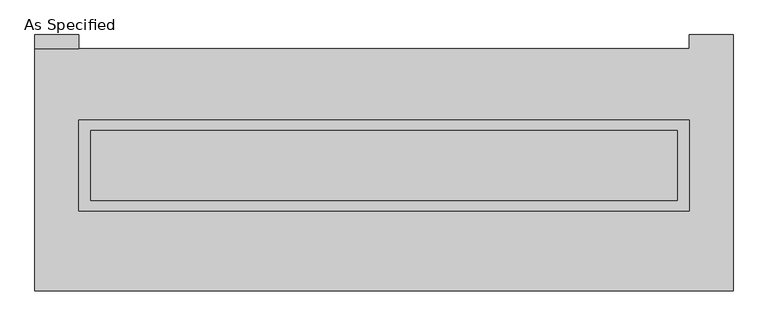
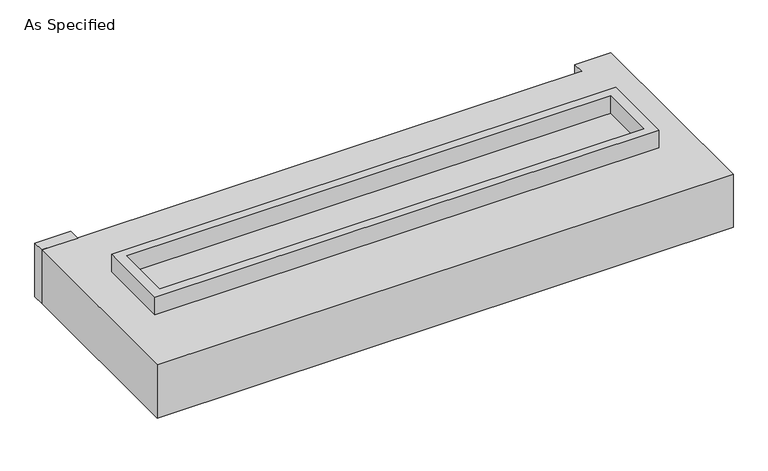
"""IFC4 building model written with IfcOpenShell, lengths in millimetres: proxy geometry, As Specified."""

from ifc_helpers import new_model, si_unit, frame, origin, place, context, project, spatial, polyline, outline, extrude, source, transform, mapped, element, save


def as_specified_8478eab1(model_context):
    return source(origin(), model_context, "Body", "SweptSolid", [
        extrude(outline(polyline([(2222.5, 361.95), (2222.5, -298.45), (-2222.5, -298.45), (-2222.5, 361.95), (2222.5, 361.95)]), holes=[polyline([(2133.6, 285.75), (-2133.6, 285.75), (-2133.6, -222.25), (2133.6, -222.25), (2133.6, 285.75)])]), frame((0.0, 0.0, -688.975), z_axis=(0.0, 0.0, 1.0), x_axis=(1.0, 0.0, 0.0)), (0.0, 0.0, 1.0), 165.1),
        extrude(outline(polyline([(2222.5, 361.95), (2222.5, -298.45), (-2222.5, -298.45), (-2222.5, 361.95), (2222.5, 361.95)]), holes=[polyline([(2133.6, 285.75), (-2133.6, 285.75), (-2133.6, -222.25), (2133.6, -222.25), (2133.6, 285.75)])]), frame((0.0, 0.0, -25.4), z_axis=(0.0, 0.0, 1.0), x_axis=(1.0, 0.0, 0.0)), (0.0, 0.0, 1.0), 165.1),
        extrude(outline(polyline([(-2222.5, 882.65), (-2540.0, 882.65), (-2540.0, 984.25), (-2222.5, 984.25), (-2222.5, 882.65)])), frame((0.0, 0.0, -523.875), z_axis=(0.0, 0.0, 1.0), x_axis=(1.0, 0.0, 0.0)), (0.0, 0.0, 1.0), 498.475),
        extrude(outline(polyline([(2133.6, 285.75), (2133.6, -222.25), (-2133.6, -222.25), (-2133.6, 285.75), (2133.6, 285.75)])), frame((0.0, 0.0, -523.875), z_axis=(0.0, 0.0, 1.0), x_axis=(1.0, 0.0, 0.0)), (0.0, 0.0, 1.0), 4.9609375),
        extrude(outline(polyline([(2133.6, 285.75), (2133.6, -222.25), (-2133.6, -222.25), (-2133.6, 285.75), (2133.6, 285.75)])), frame((0.0, 0.0, -30.3609375), z_axis=(0.0, 0.0, 1.0), x_axis=(1.0, 0.0, 0.0)), (0.0, 0.0, 1.0), 4.9609375),
        extrude(outline(polyline([(2540.0, -882.65), (-2540.0, -882.65), (-2540.0, 882.65), (2222.5, 882.65), (2222.5, 984.25), (2540.0, 984.25), (2540.0, -882.65)]), holes=[polyline([(-2222.5, 361.95), (-2222.5, -298.45), (2222.5, -298.45), (2222.5, 361.95), (-2222.5, 361.95)])]), frame((0.0, 0.0, -523.875), z_axis=(0.0, 0.0, 1.0), x_axis=(1.0, 0.0, 0.0)), (0.0, 0.0, 1.0), 498.475),
    ])


if __name__ == "__main__":
    model = new_model("IFC4")
    model_context = context("Model", 3, world=origin())
    ifc_project = project(units=[si_unit("LENGTHUNIT", "METRE", prefix="MILLI")], contexts=[model_context])
    site = spatial("IfcSite", under=ifc_project)
    building = spatial("IfcBuilding", under=site)
    placement = place(None, origin())
    as_specified_shape = as_specified_8478eab1(model_context)
    element("IfcBuildingElementProxy", 1, Name="As Specified", ObjectType="As Specified", at=placement, inside=building, context=model_context, shape_type="MappedRepresentation", body=[
        mapped(as_specified_shape, transform((0.0, 0.0, 0.0), x_axis=(1.0, 0.0, 0.0), y_axis=(0.0, 1.0, 0.0), z_axis=(0.0, 0.0, 1.0))),
    ])
    save(model, "model.ifc")
